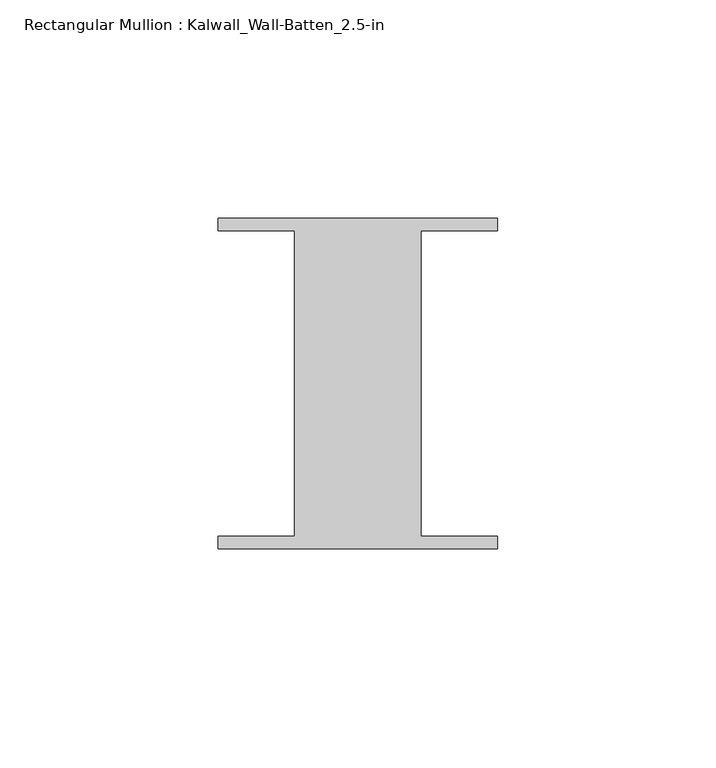
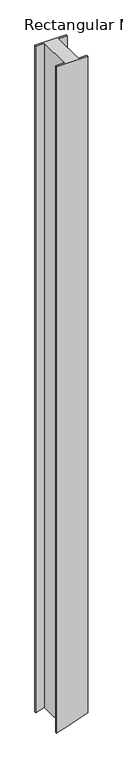
"""IFC4 building model written with IfcOpenShell, lengths in millimetres: member geometry, Rectangular Mullion : Kalwall_Wall-Batten_2.5-in."""

from ifc_helpers import new_model, si_unit, frame, origin, place, context, project, spatial, circle_curve, source, transform, mapped, element, save
from ifc_brep_helpers import plane_surface, cylinder_surface, advanced_brep


def rectangular_mullion_kalwall_wall_batten_2_5_in_96054c89(model_context):
    return source(origin(), model_context, "Body", "AdvancedBrep", [
        advanced_brep(
        [(-32.0, 36.524, 0.0), (-32.0, 33.73, 0.0), (-14.5, 33.73, 0.0), (-14.5, -36.27, 0.0), (-32.0, -36.27, 0.0), (-32.0, -39.064, 0.0), (32.0, -39.064, 0.0), (32.0, -36.27, 0.0), (14.5, -36.27, 0.0), (14.5, 33.73, 0.0), (32.0, 33.73, 0.0), (32.0, 36.524, 0.0), (-32.0, 36.524, -1437.9225661), (-32.0, 33.73, -1437.9225661), (-15.5761015, 33.73, -1432.6912931), (-14.5, 33.73, -1432.3443905), (-14.5, -36.27, -1432.3443905), (-15.5761015, -36.27, -1432.6912931), (-32.0, -36.27, -1437.9225661), (-32.0, -39.064, -1437.9225661), (-15.5761015, -39.064, -1432.6912931), (32.0, -39.064, -1416.86293), (32.0, -36.27, -1416.86293), (14.5, -36.27, -1422.8024336), (14.5, 33.73, -1422.8024336), (32.0, 33.73, -1416.86293), (32.0, 36.524, -1416.86293), (-15.5761015, 36.524, -1432.6912931)],
        [
            (0, 1),
            (1, 2),
            (2, 3),
            (3, 4),
            (4, 5),
            (5, 6),
            (6, 7),
            (7, 8),
            (8, 9),
            (9, 10),
            (10, 11),
            (11, 0),
            (0, 12),
            (12, 13),
            (13, 1),
            (13, 14, circle_curve(frame((-821.2870003, 33.73, 1068.489308), z_axis=(0.0, -1.0, 0.0), x_axis=(0.30661617077994807, 0.0, -0.9518332437019847)), 2627.7508351)),
            (14, 15, circle_curve(frame((-821.2870003, 33.73, 1068.489308), z_axis=(0.0, -1.0, 0.0), x_axis=(0.8581879312716352, 0.0, -0.5133356354469376)), 2627.7508351)),
            (15, 2),
            (15, 16),
            (16, 3),
            (16, 17, circle_curve(frame((-821.2870003, -36.27, 1068.489308), z_axis=(0.0, 1.0, 0.0), x_axis=(0.8581879312716352, 0.0, -0.5133356354469376)), 2627.7508351)),
            (17, 18, circle_curve(frame((-821.2870003, -36.27, 1068.489308), z_axis=(0.0, 1.0, 0.0), x_axis=(0.30661617077994807, 0.0, -0.9518332437019847)), 2627.7508351)),
            (18, 4),
            (18, 19),
            (19, 5),
            (19, 20, circle_curve(frame((-821.2870003, -39.064, 1068.489308), z_axis=(0.0, -1.0, 0.0), x_axis=(0.30661617077994807, 0.0, -0.9518332437019847)), 2627.7508351)),
            (20, 21, circle_curve(frame((-821.2870003, -39.064, 1068.489308), z_axis=(0.0, -1.0, 0.0), x_axis=(0.8581879312716352, 0.0, -0.5133356354469376)), 2627.7508351)),
            (21, 6),
            (21, 22),
            (22, 7),
            (22, 23, circle_curve(frame((-821.2870003, -36.27, 1068.489308), z_axis=(0.0, 1.0, 0.0), x_axis=(0.8581879312716352, 0.0, -0.5133356354469376)), 2627.7508351)),
            (23, 8),
            (23, 24),
            (24, 9),
            (24, 25, circle_curve(frame((-821.2870003, 33.73, 1068.489308), z_axis=(0.0, -1.0, 0.0), x_axis=(0.8581879312716352, 0.0, -0.5133356354469376)), 2627.7508351)),
            (25, 10),
            (25, 26),
            (26, 11),
            (26, 27, circle_curve(frame((-821.2870003, 36.524, 1068.489308), z_axis=(0.0, 1.0, 0.0), x_axis=(0.8581879312716352, 0.0, -0.5133356354469376)), 2627.7508351)),
            (27, 12, circle_curve(frame((-821.2870003, 36.524, 1068.489308), z_axis=(0.0, 1.0, 0.0), x_axis=(0.30661617077994807, 0.0, -0.9518332437019847)), 2627.7508351)),
            (17, 20),
            (14, 27),
        ],
        [
            plane_surface(frame((0.0, -50.497486, 0.0), z_axis=(0.0, 0.0, 1.0), x_axis=(-1.0, 0.0, 0.0))),
            plane_surface(frame((-32.0, 36.524, 0.0), z_axis=(-1.0, 0.0, 0.0), x_axis=(0.0, 0.0, -1.0))),
            plane_surface(frame((-32.0, 33.73, 0.0), z_axis=(0.0, -1.0, 0.0), x_axis=(0.0, 0.0, -1.0))),
            plane_surface(frame((-14.5, 33.73, 0.0), z_axis=(-1.0, 0.0, 0.0), x_axis=(0.0, 0.0, -1.0))),
            plane_surface(frame((-14.5, -36.27, 0.0), z_axis=(0.0, 1.0, 0.0), x_axis=(0.0, 0.0, -1.0))),
            plane_surface(frame((-32.0, -36.27, 0.0), z_axis=(-1.0, 0.0, 0.0), x_axis=(0.0, 0.0, -1.0))),
            plane_surface(frame((-32.0, -39.064, 0.0), z_axis=(0.0, -1.0, 0.0), x_axis=(0.0, 0.0, -1.0))),
            plane_surface(frame((32.0, -39.064, 0.0), z_axis=(1.0, 0.0, 0.0), x_axis=(0.0, 0.0, -1.0))),
            plane_surface(frame((32.0, -36.27, 0.0), z_axis=(0.0, 1.0, 0.0), x_axis=(0.0, 0.0, -1.0))),
            plane_surface(frame((14.5, -36.27, 0.0), z_axis=(1.0, 0.0, 0.0), x_axis=(0.0, 0.0, -1.0))),
            plane_surface(frame((14.5, 33.73, 0.0), z_axis=(0.0, -1.0, 0.0), x_axis=(0.0, 0.0, -1.0))),
            plane_surface(frame((32.0, 33.73, 0.0), z_axis=(1.0, 0.0, 0.0), x_axis=(0.0, 0.0, -1.0))),
            plane_surface(frame((32.0, 36.524, 0.0), z_axis=(0.0, 1.0, 0.0), x_axis=(0.0, 0.0, -1.0))),
            cylinder_surface(frame((-821.2870003, 0.0, 1068.489308), z_axis=(0.0, 1.0000000000000002, 0.0), x_axis=(0.30661617077994807, 0.0, -0.9518332437019847)), 2627.7508351),
            cylinder_surface(frame((-821.2870003, 0.0, 1068.489308), z_axis=(0.0, 1.0, 0.0), x_axis=(0.8581879312716352, 0.0, -0.5133356354469376)), 2627.7508351),
        ],
        [
            (0, [[1, 2, 3, 4, 5, 6, 7, 8, 9, 10, 11, 12]]),
            (1, [[-1, 13, 14, 15]]),
            (2, [[-2, -15, 16, 17, 18]]),
            (3, [[-3, -18, 19, 20]]),
            (4, [[-4, -20, 21, 22, 23]]),
            (5, [[-5, -23, 24, 25]]),
            (6, [[-6, -25, 26, 27, 28]]),
            (7, [[-7, -28, 29, 30]]),
            (8, [[-8, -30, 31, 32]]),
            (9, [[-9, -32, 33, 34]]),
            (10, [[-10, -34, 35, 36]]),
            (11, [[-11, -36, 37, 38]]),
            (12, [[-12, -38, 39, 40, -13]]),
            (13, [[-26, -24, -22, 41]]),
            (14, [[-39, -37, -35, -33, -31, -29, -27, -41, -21, -19, -17, 42]]),
            (13, [[-40, -42, -16, -14]]),
        ],
    ),
    ])


if __name__ == "__main__":
    model = new_model("IFC4")
    model_context = context("Model", 3, world=origin())
    ifc_project = project(units=[si_unit("LENGTHUNIT", "METRE", prefix="MILLI")], contexts=[model_context])
    site = spatial("IfcSite", under=ifc_project)
    building = spatial("IfcBuilding", under=site)
    placement = place(None, origin())
    rectangular_mullion_kalwall_wall_batten_2_5_in_shape = rectangular_mullion_kalwall_wall_batten_2_5_in_96054c89(model_context)
    element("IfcMember", 1, ObjectType="Rectangular Mullion : Kalwall_Wall-Batten_2.5-in", at=placement, inside=building, context=model_context, shape_type="MappedRepresentation", body=[
        mapped(rectangular_mullion_kalwall_wall_batten_2_5_in_shape, transform((0.0, 0.0, 0.0), x_axis=(1.0, 0.0, 0.0), y_axis=(0.0, 1.0, 0.0), z_axis=(0.0, 0.0, 1.0))),
    ])
    save(model, "model.ifc")
